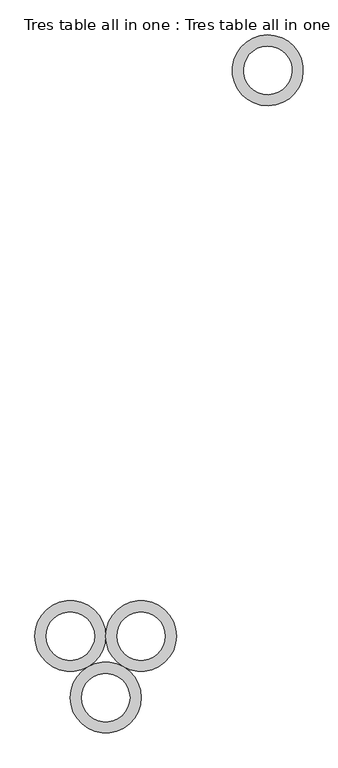
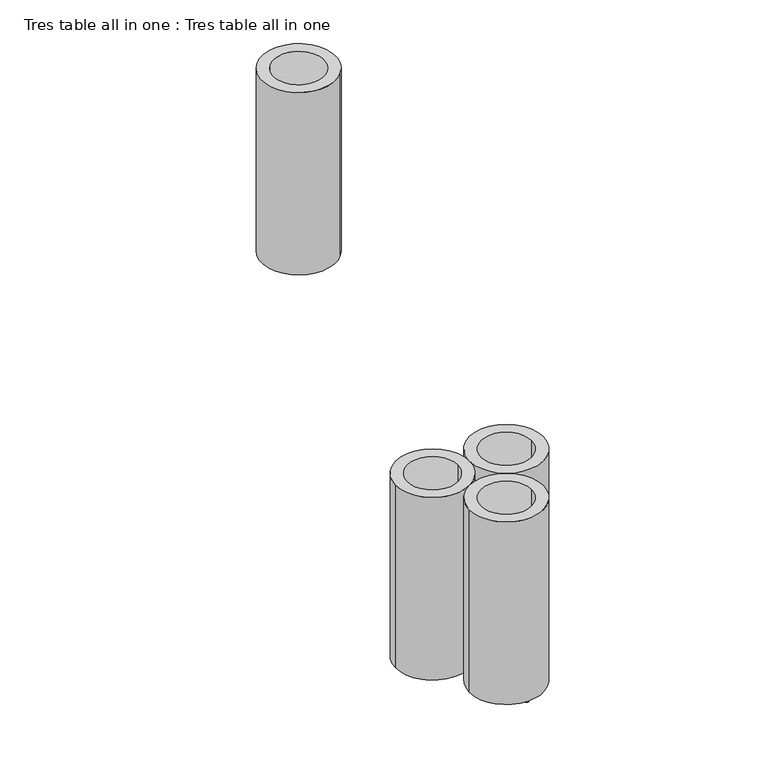
"""IFC4 building model written with IfcOpenShell, lengths in millimetres: furniture geometry, Tres table all in one : Tres table all in one."""

from ifc_helpers import new_model, si_unit, point, frame, frame_2d, origin, origin_with_axes, place, context, project, spatial, circle_curve, trimmed, segment, composite_curve, outline, extrude, source, transform, mapped, element, save


def tres_table_all_in_one_tres_table_all_in_one_16a127d9(model_context):
    return source(origin(), model_context, "Body", "SweptSolid", [
        extrude(outline(composite_curve([segment(trimmed(circle_curve(frame_2d((603.7815584, 191.1029784)), 132.0), [point((504.1598938, 277.7027702))], [point((703.403223, 104.5031866))], False, "CARTESIAN"), True, "CONTINUOUS"), segment(trimmed(circle_curve(frame_2d((603.7815584, 191.1029784)), 132.0), [point((703.403223, 104.5031866))], [point((504.1598938, 277.7027702))], False, "CARTESIAN"), True, "CONTINUOUS")], self_intersect=False), holes=[composite_curve([segment(trimmed(circle_curve(frame_2d((603.7815584, 191.1029784)), 90.0), [point((535.8576962, 250.148291))], [point((671.7054206, 132.0576658))], True, "CARTESIAN"), True, "CONTINUOUS"), segment(trimmed(circle_curve(frame_2d((603.7815584, 191.1029784)), 90.0), [point((671.7054206, 132.0576658))], [point((535.8576962, 250.148291))], True, "CARTESIAN"), True, "CONTINUOUS")], self_intersect=False)]), frame((0.0, 0.0, 4.0), z_axis=(0.0, 0.0, 1.0), x_axis=(1.0, 0.0, 0.0)), (0.0, 0.0, 1.0), 691.5),
        extrude(outline(composite_curve([segment(trimmed(circle_curve(frame_2d((210.3483961, -1836.6823621)), 8.5), [point((201.8483961, -1836.6823621))], [point((218.8483961, -1836.6823621))], False, "CARTESIAN"), True, "CONTINUOUS"), segment(trimmed(circle_curve(frame_2d((210.3483961, -1836.6823621)), 8.5), [point((218.8483961, -1836.6823621))], [point((201.8483961, -1836.6823621))], False, "CARTESIAN"), True, "CONTINUOUS")], self_intersect=False)), origin_with_axes(), (0.0, 0.0, 1.0), 4.0),
        extrude(outline(composite_curve([segment(trimmed(circle_curve(frame_2d((54.5318572, -1999.0931483)), 8.5), [point((46.0318572, -1999.0931483))], [point((63.0318572, -1999.0931483))], False, "CARTESIAN"), True, "CONTINUOUS"), segment(trimmed(circle_curve(frame_2d((54.5318572, -1999.0931483)), 8.5), [point((63.0318572, -1999.0931483))], [point((46.0318572, -1999.0931483))], False, "CARTESIAN"), True, "CONTINUOUS")], self_intersect=False)), origin_with_axes(), (0.0, 0.0, 1.0), 4.0),
        extrude(outline(composite_curve([segment(trimmed(circle_curve(frame_2d((-0.0479539, -2266.6276331)), 8.5), [point((-8.5479539, -2266.6276331))], [point((8.4520461, -2266.6276331))], False, "CARTESIAN"), True, "CONTINUOUS"), segment(trimmed(circle_curve(frame_2d((-0.0479539, -2266.6276331)), 8.5), [point((8.4520461, -2266.6276331))], [point((-8.5479539, -2266.6276331))], False, "CARTESIAN"), True, "CONTINUOUS")], self_intersect=False)), origin_with_axes(), (0.0, 0.0, 1.0), 4.0),
        extrude(outline(composite_curve([segment(trimmed(circle_curve(frame_2d((-0.0479539, -2024.6852442)), 8.5), [point((-8.5479539, -2024.6852442))], [point((8.4520461, -2024.6852442))], False, "CARTESIAN"), True, "CONTINUOUS"), segment(trimmed(circle_curve(frame_2d((-0.0479539, -2024.6852442)), 8.5), [point((8.4520461, -2024.6852442))], [point((-8.5479539, -2024.6852442))], False, "CARTESIAN"), True, "CONTINUOUS")], self_intersect=False)), origin_with_axes(), (0.0, 0.0, 1.0), 4.0),
        extrude(outline(composite_curve([segment(trimmed(circle_curve(frame_2d((-53.2442317, -1997.177855)), 8.5), [point((-61.7442317, -1997.177855))], [point((-44.7442317, -1997.177855))], False, "CARTESIAN"), True, "CONTINUOUS"), segment(trimmed(circle_curve(frame_2d((-53.2442317, -1997.177855)), 8.5), [point((-44.7442317, -1997.177855))], [point((-61.7442317, -1997.177855))], False, "CARTESIAN"), True, "CONTINUOUS")], self_intersect=False)), origin_with_axes(), (0.0, 0.0, 1.0), 4.0),
        extrude(outline(composite_curve([segment(trimmed(circle_curve(frame_2d((-216.9253826, -1833.2623291)), 8.5), [point((-225.4253826, -1833.2623291))], [point((-208.4253826, -1833.2623291))], False, "CARTESIAN"), True, "CONTINUOUS"), segment(trimmed(circle_curve(frame_2d((-216.9253826, -1833.2623291)), 8.5), [point((-208.4253826, -1833.2623291))], [point((-225.4253826, -1833.2623291))], False, "CARTESIAN"), True, "CONTINUOUS")], self_intersect=False)), origin_with_axes(), (0.0, 0.0, 1.0), 4.0),
        extrude(outline(composite_curve([segment(trimmed(circle_curve(frame_2d((-0.5963059, -2144.2995096)), 132.0), [point((-132.5963059, -2144.2995096))], [point((131.4036941, -2144.2995096))], False, "CARTESIAN"), True, "CONTINUOUS"), segment(trimmed(circle_curve(frame_2d((-0.5963059, -2144.2995096)), 132.0), [point((131.4036941, -2144.2995096))], [point((-132.5963059, -2144.2995096))], False, "CARTESIAN"), True, "CONTINUOUS")], self_intersect=False), holes=[composite_curve([segment(trimmed(circle_curve(frame_2d((-0.5963059, -2144.2995096)), 90.0), [point((-90.5963059, -2144.2995096))], [point((89.4036941, -2144.2995096))], True, "CARTESIAN"), True, "CONTINUOUS"), segment(trimmed(circle_curve(frame_2d((-0.5963059, -2144.2995096)), 90.0), [point((89.4036941, -2144.2995096))], [point((-90.5963059, -2144.2995096))], True, "CARTESIAN"), True, "CONTINUOUS")], self_intersect=False)]), frame((0.0, 0.0, 4.0), z_axis=(0.0, 0.0, 1.0), x_axis=(1.0, 0.0, 0.0)), (0.0, 0.0, 1.0), 691.5123901),
        extrude(outline(composite_curve([segment(trimmed(circle_curve(frame_2d((131.2786941, -1915.2995096)), 132.0), [point((-0.7213059, -1915.2995096))], [point((263.2786941, -1915.2995096))], False, "CARTESIAN"), True, "CONTINUOUS"), segment(trimmed(circle_curve(frame_2d((131.2786941, -1915.2995096)), 132.0), [point((263.2786941, -1915.2995096))], [point((-0.7213059, -1915.2995096))], False, "CARTESIAN"), True, "CONTINUOUS")], self_intersect=False), holes=[composite_curve([segment(trimmed(circle_curve(frame_2d((131.2786941, -1915.2995096)), 90.0), [point((41.2786941, -1915.2995096))], [point((221.2786941, -1915.2995096))], True, "CARTESIAN"), True, "CONTINUOUS"), segment(trimmed(circle_curve(frame_2d((131.2786941, -1915.2995096)), 90.0), [point((221.2786941, -1915.2995096))], [point((41.2786941, -1915.2995096))], True, "CARTESIAN"), True, "CONTINUOUS")], self_intersect=False)]), frame((0.0, 0.0, 4.0), z_axis=(0.0, 0.0, 1.0), x_axis=(1.0, 0.0, 0.0)), (0.0, 0.0, 1.0), 691.5123901),
        extrude(outline(composite_curve([segment(trimmed(circle_curve(frame_2d((-132.7213059, -1915.2995096)), 132.0), [point((-264.7213059, -1915.2995096))], [point((-0.7213059, -1915.2995096))], False, "CARTESIAN"), True, "CONTINUOUS"), segment(trimmed(circle_curve(frame_2d((-132.7213059, -1915.2995096)), 132.0), [point((-0.7213059, -1915.2995096))], [point((-264.7213059, -1915.2995096))], False, "CARTESIAN"), True, "CONTINUOUS")], self_intersect=False), holes=[composite_curve([segment(trimmed(circle_curve(frame_2d((-132.7213059, -1915.2995096)), 90.0), [point((-222.7213059, -1915.2995096))], [point((-42.7213059, -1915.2995096))], True, "CARTESIAN"), True, "CONTINUOUS"), segment(trimmed(circle_curve(frame_2d((-132.7213059, -1915.2995096)), 90.0), [point((-42.7213059, -1915.2995096))], [point((-222.7213059, -1915.2995096))], True, "CARTESIAN"), True, "CONTINUOUS")], self_intersect=False)]), frame((0.0, 0.0, 4.0), z_axis=(0.0, 0.0, 1.0), x_axis=(1.0, 0.0, 0.0)), (0.0, 0.0, 1.0), 691.5123901),
    ])


if __name__ == "__main__":
    model = new_model("IFC4")
    model_context = context("Model", 3, world=origin())
    ifc_project = project(units=[si_unit("LENGTHUNIT", "METRE", prefix="MILLI")], contexts=[model_context])
    site = spatial("IfcSite", under=ifc_project)
    building = spatial("IfcBuilding", under=site)
    placement = place(None, origin())
    tres_table_all_in_one_tres_table_all_in_one_shape = tres_table_all_in_one_tres_table_all_in_one_16a127d9(model_context)
    element("IfcFurniture", 1, ObjectType="Tres table all in one : Tres table all in one", at=placement, inside=building, context=model_context, shape_type="MappedRepresentation", body=[
        mapped(tres_table_all_in_one_tres_table_all_in_one_shape, transform((0.0, 0.0, 0.0), x_axis=(1.0, 0.0, 0.0), y_axis=(0.0, 1.0, 0.0), z_axis=(0.0, 0.0, 1.0))),
    ])
    save(model, "model.ifc")
